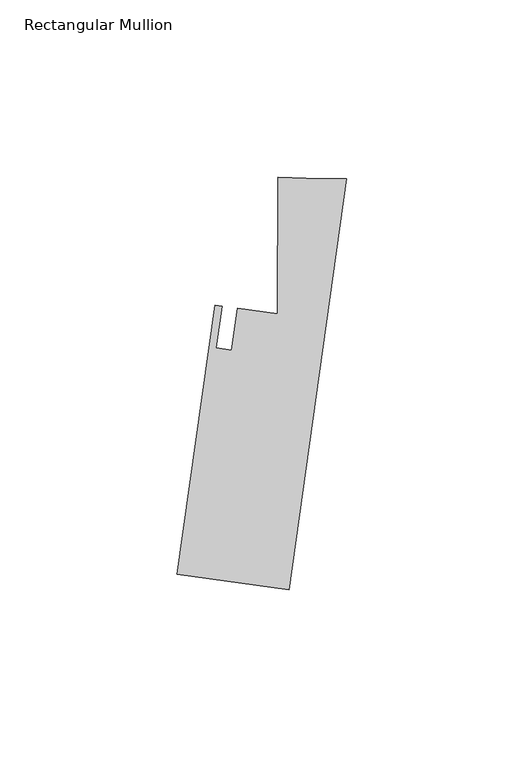
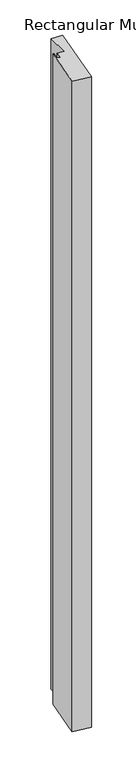
"""IFC4 building model written with IfcOpenShell, lengths in millimetres: member geometry, Rectangular Mullion."""

import ifcopenshell
import ifcopenshell.guid

model = None  # the IFC model being written
_history = None  # IfcOwnerHistory: only IFC2X3 demands one
_inside = {}  # id of a spatial element -> (the spatial element, [elements in it])
_under = {}  # id of a project, library or spatial element -> (it, [spatial elements below it])
_declared = {}  # id of a project -> (the project, [libraries it declares])
_typed = {}  # id of a type object -> (the type object, [elements of that type])
_made_of = {}  # id of a material, layer set ... -> (it, [elements and type objects made of it])


def new_model(schema):
    """Start an empty IFC model of exactly this schema.

    Asked for "IFC4X3", IfcOpenShell would pick the latest addendum, in which some entities
    have other attributes; the version numbers below select the first issue.
    IFC2X3 requires an IfcOwnerHistory on every rooted entity: one is made here for all.
    """
    global model, _history
    if schema == "IFC4X3":
        model = ifcopenshell.file(schema_version=(4, 3, 0, 0))
    else:
        model = ifcopenshell.file(schema=schema)
    _inside.clear()
    _under.clear()
    _declared.clear()
    _typed.clear()
    _made_of.clear()
    _history = None
    if model.schema == "IFC2X3":
        org = make("IfcOrganization", Name="unknown")
        user = make(
            "IfcPersonAndOrganization",
            ThePerson=make("IfcPerson", FamilyName="unknown"),
            TheOrganization=org,
        )
        app = make(
            "IfcApplication",
            ApplicationDeveloper=org,
            Version="unknown",
            ApplicationFullName="unknown",
            ApplicationIdentifier="unknown",
        )
        _history = make(
            "IfcOwnerHistory",
            OwningUser=user,
            OwningApplication=app,
            ChangeAction="ADDED",
            CreationDate=0,
        )
    return model


def make(cls, **values):
    """One entity of the class cls with the attributes given. An attribute that is None is left unset."""
    return model.create_entity(
        cls, **{name: value for name, value in values.items() if value is not None}
    )


def rooted(cls, **values):
    """An entity with a GlobalId (a new one), such as an element, a storey or a relation."""
    return make(cls, GlobalId=ifcopenshell.guid.new(), OwnerHistory=_history, **values)


def si_unit(unit_type, name, prefix=None):
    """IfcSIUnit, for example si_unit("LENGTHUNIT", "METRE", prefix="MILLI")."""
    return make("IfcSIUnit", UnitType=unit_type, Prefix=prefix, Name=name)


def assignment(units):
    """IfcUnitAssignment: the units of a project."""
    return None if units is None else make("IfcUnitAssignment", Units=units)


def point(xyz):
    """IfcCartesianPoint."""
    return None if xyz is None else make("IfcCartesianPoint", Coordinates=xyz)


def direction(xyz):
    """IfcDirection."""
    return None if xyz is None else make("IfcDirection", DirectionRatios=xyz)


def frame(location, z_axis=None, x_axis=None):
    """IfcAxis2Placement3D, a coordinate frame: its origin and axes. An axis left out is left unset."""
    return make(
        "IfcAxis2Placement3D",
        Location=point(location),
        Axis=direction(z_axis),
        RefDirection=direction(x_axis),
    )


def origin():
    """The frame at (0, 0, 0) with its axes left unset."""
    return frame((0.0, 0.0, 0.0))


def place(relative_to, where):
    """IfcLocalPlacement: puts the frame where relative to a parent placement (None: the world)."""
    return make(
        "IfcLocalPlacement", PlacementRelTo=relative_to, RelativePlacement=where
    )


def context(
    kind, dimensions, precision=None, world=None, true_north=None, identifier=None
):
    """IfcGeometricRepresentationContext, for example the 3D "Model" context."""
    return make(
        "IfcGeometricRepresentationContext",
        ContextIdentifier=identifier,
        ContextType=kind,
        CoordinateSpaceDimension=dimensions,
        Precision=precision,
        WorldCoordinateSystem=world,
        TrueNorth=true_north,
    )


def project(units=None, contexts=None):
    """IfcProject with its units and contexts."""
    return rooted(
        "IfcProject",
        Name="project",
        RepresentationContexts=contexts,
        UnitsInContext=assignment(units),
    )


def spatial(cls, under=None, at=None, **own):
    """A site, building, storey or space (cls), placed at a placement, below another one or the project."""
    s = rooted(cls, ObjectPlacement=at, **own)
    if under is not None:
        _under.setdefault(under.id(), (under, []))[1].append(s)
    return s


def polyline(points):
    """IfcPolyline through the points."""
    return make("IfcPolyline", Points=[point(p) for p in points])


def outline(outer, holes=None, kind="AREA"):
    """IfcArbitraryClosedProfileDef: a profile drawn as a closed curve; with holes, ...WithVoids."""
    if holes is None:
        return make("IfcArbitraryClosedProfileDef", ProfileType=kind, OuterCurve=outer)
    return make(
        "IfcArbitraryProfileDefWithVoids",
        ProfileType=kind,
        OuterCurve=outer,
        InnerCurves=holes,
    )


def extrude(swept, where, along, depth):
    """IfcExtrudedAreaSolid: the profile swept, set in the frame where, extruded along a direction by depth."""
    return make(
        "IfcExtrudedAreaSolid",
        SweptArea=swept,
        Position=where,
        ExtrudedDirection=direction(along),
        Depth=depth,
    )


def shape(context_of_items, identifier, shape_type, items):
    """IfcShapeRepresentation: the items that make up one representation, for example the "Body"."""
    return make(
        "IfcShapeRepresentation",
        ContextOfItems=context_of_items,
        RepresentationIdentifier=identifier,
        RepresentationType=shape_type,
        Items=items,
    )


def source(mapping_origin, context_of_items, identifier, shape_type, items):
    """IfcRepresentationMap: a shape defined once, which mapped items show again and again."""
    return make(
        "IfcRepresentationMap",
        MappingOrigin=mapping_origin,
        MappedRepresentation=shape(context_of_items, identifier, shape_type, items),
    )


def transform(
    local_origin,
    x_axis=None,
    y_axis=None,
    z_axis=None,
    scale=None,
    scale2=None,
    scale3=None,
    uniform=True,
):
    """IfcCartesianTransformationOperator3D, or its non-uniform kind. x_axis, y_axis, z_axis: its Axis1, 2, 3."""
    if uniform:
        return make(
            "IfcCartesianTransformationOperator3D",
            Axis1=direction(x_axis),
            Axis2=direction(y_axis),
            LocalOrigin=point(local_origin),
            Scale=scale,
            Axis3=direction(z_axis),
        )
    return make(
        "IfcCartesianTransformationOperator3DnonUniform",
        Axis1=direction(x_axis),
        Axis2=direction(y_axis),
        LocalOrigin=point(local_origin),
        Scale=scale,
        Axis3=direction(z_axis),
        Scale2=scale2,
        Scale3=scale3,
    )


def mapped(mapping_source, mapping_target):
    """IfcMappedItem: shows the shape of a source again, moved by a transform."""
    return make(
        "IfcMappedItem", MappingSource=mapping_source, MappingTarget=mapping_target
    )


def made_of(thing, what):
    """Note that an element or type object is made of a material, layer set ...; save() writes the relation."""
    if what is not None:
        _made_of.setdefault(what.id(), (what, []))[1].append(thing)
    return thing


def element(
    cls,
    number,
    at=None,
    inside=None,
    cuts=None,
    type_object=None,
    material=None,
    context=None,
    identifier="Body",
    shape_type=None,
    held_by="IfcProductDefinitionShape",
    body=None,
    shapes=None,
    **own,
):
    """One element of the class cls, such as IfcWall. Its Tag is "e" and its number.

    at: its placement. inside: the storey or other place that contains it. cuts: it is an
    opening in that element (IfcRelVoidsElement). A single representation is given by context,
    identifier, shape_type and body (its items); several are given by shapes. held_by: the class
    of the entity that holds the representations. save() writes the other relations.
    """
    e = rooted(cls, Tag="e%d" % number, ObjectPlacement=at, **own)
    if body is not None:
        shapes = [shape(context, identifier, shape_type, body)]
    if shapes is not None:
        e.Representation = make(held_by, Representations=shapes)
    if inside is not None:
        _inside.setdefault(inside.id(), (inside, []))[1].append(e)
    if cuts is not None:
        rooted(
            "IfcRelVoidsElement", RelatingBuildingElement=cuts, RelatedOpeningElement=e
        )
    if type_object is not None:
        _typed.setdefault(type_object.id(), (type_object, []))[1].append(e)
    return made_of(e, material)


def aggregate(whole, parts):
    """IfcRelAggregates: a whole, such as a stair, and the parts it consists of."""
    return rooted("IfcRelAggregates", RelatingObject=whole, RelatedObjects=parts)


def save(model, path):
    """Write the relations noted so far, then the file.

    IfcRelAggregates (storeys below a building ...), IfcRelContainedInSpatialStructure (elements
    in a storey), IfcRelDefinesByType, IfcRelAssociatesMaterial and IfcRelDeclares: one each for
    every whole, place, type object, material and project.
    """
    for whole, parts in _under.values():
        aggregate(whole, parts)
    for where, things in _inside.values():
        rooted(
            "IfcRelContainedInSpatialStructure",
            RelatedElements=things,
            RelatingStructure=where,
        )
    for kind, things in _typed.values():
        rooted("IfcRelDefinesByType", RelatedObjects=things, RelatingType=kind)
    for what, things in _made_of.values():
        rooted("IfcRelAssociatesMaterial", RelatedObjects=things, RelatingMaterial=what)
    for by, libraries in _declared.values():
        rooted("IfcRelDeclares", RelatingContext=by, RelatedDefinitions=libraries)
    model.write(path)


def rectangular_mullion_9f2e625e(model_context):
    return source(origin(), model_context, "Body", "SweptSolid", [
        extrude(outline(polyline([(-47.7197012, -111.7381981), (-37.0687359, -35.9527876), (-35.1068072, -36.2285192), (-36.7611888, -48.0000334), (-32.4349058, -48.6080539), (-30.7805233, -36.8365335), (-19.4249594, -38.432457), (-19.3699134, 0.0022725), (-11.3980148, -0.2140544), (0.0, -0.3282682), (-16.2786912, -116.1569524), (-47.7197012, -111.7381981)])), frame((0.0, 0.0, -1187.45), z_axis=(0.0, 0.0, 1.0), x_axis=(1.0, 0.0, 0.0)), (0.0, 0.0, 1.0), 1187.45),
    ])


if __name__ == "__main__":
    model = new_model("IFC4")
    model_context = context("Model", 3, world=origin())
    ifc_project = project(units=[si_unit("LENGTHUNIT", "METRE", prefix="MILLI")], contexts=[model_context])
    site = spatial("IfcSite", under=ifc_project)
    building = spatial("IfcBuilding", under=site)
    placement = place(None, origin())
    rectangular_mullion_shape = rectangular_mullion_9f2e625e(model_context)
    element("IfcMember", 1, ObjectType="Rectangular Mullion", at=placement, inside=building, context=model_context, shape_type="MappedRepresentation", body=[
        mapped(rectangular_mullion_shape, transform((0.0, 0.0, 0.0), x_axis=(1.0, 0.0, 0.0), y_axis=(0.0, 1.0, 0.0), z_axis=(0.0, 0.0, 1.0))),
    ])
    save(model, "model.ifc")
